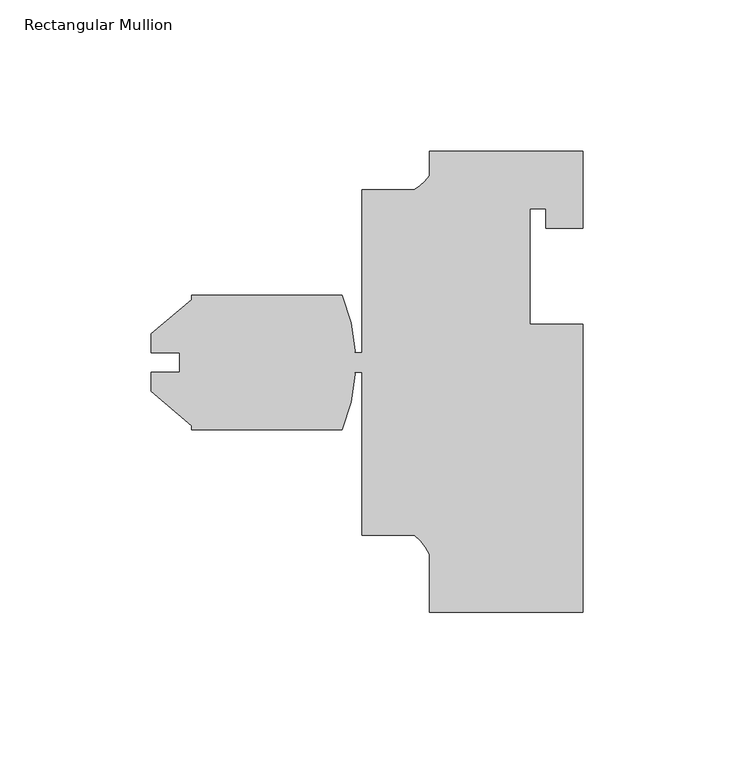
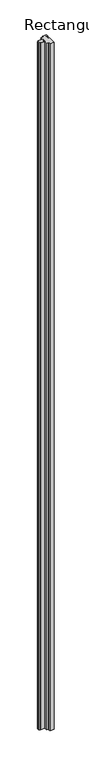
"""IFC4 building model written with IfcOpenShell, lengths in millimetres: member geometry, Rectangular Mullion."""

from ifc_helpers import new_model, si_unit, point, frame, frame_2d, origin, place, context, project, spatial, polyline, circle_curve, trimmed, segment, composite_curve, outline, extrude, source, transform, mapped, element, save


def rectangular_mullion_10036c5e(model_context):
    return source(origin(), model_context, "Body", "SweptSolid", [
        extrude(outline(composite_curve([segment(polyline([(25.4000102, -98.425), (-25.4, -98.425), (-25.4, -79.2532223)]), True, "CONTINUOUS"), segment(trimmed(circle_curve(frame_2d((-39.5144522, -85.306361)), 15.3576772), [point((-25.4, -79.2532223))], [point((-30.2934749, -73.025))], True, "CARTESIAN"), True, "CONTINUOUS"), segment(polyline([(-30.2934749, -73.025), (-47.6249898, -73.025), (-47.6249898, -19.0499987), (-50.476034, -19.0499987)]), True, "CONTINUOUS"), segment(trimmed(circle_curve(frame_2d((-50.5757694, -19.6396145)), 0.5979916), [point((-50.476034, -19.0499987))], [point((-49.9829453, -19.7180592))], False, "CARTESIAN"), True, "CONTINUOUS"), segment(trimmed(circle_curve(frame_2d((-108.5818619, -15.875)), 58.7248), [point((-49.9829453, -19.7180592))], [point((-54.2251557, -38.1))], False, "CARTESIAN"), True, "CONTINUOUS"), segment(polyline([(-54.2251557, -38.1), (-103.9471598, -38.1), (-103.9471598, -36.7032933), (-117.4091598, -25.407334), (-117.4091598, -19.0370621), (-107.9857598, -19.0370621), (-107.9857598, -12.7129379), (-117.4091598, -12.7129379), (-117.4091598, -6.342666), (-103.9471598, 4.9532933), (-103.9471598, 6.35), (-54.2251557, 6.35)]), True, "CONTINUOUS"), segment(trimmed(circle_curve(frame_2d((-108.5818619, -15.875)), 58.7248), [point((-54.2251557, 6.35))], [point((-49.9829453, -12.0319408))], False, "CARTESIAN"), True, "CONTINUOUS"), segment(trimmed(circle_curve(frame_2d((-50.5757694, -12.1103855)), 0.5979916), [point((-49.9829453, -12.0319408))], [point((-50.476034, -12.7000013))], False, "CARTESIAN"), True, "CONTINUOUS"), segment(polyline([(-50.476034, -12.7000013), (-47.6249898, -12.7000013), (-47.6249898, 41.275), (-30.3723352, 41.275)]), True, "CONTINUOUS"), segment(trimmed(circle_curve(frame_2d((-37.3094364, 53.8506632)), 14.3621265), [point((-30.3723352, 41.275))], [point((-25.4, 45.8234593))], True, "CARTESIAN"), True, "CONTINUOUS"), segment(polyline([(-25.4, 45.8234593), (-25.4, 53.975), (25.4, 53.975), (25.4, 28.575), (13.208, 28.575), (13.208, 34.925), (7.9502102, 34.925), (7.9502102, -3.175), (25.4000102, -3.175), (25.4000102, -98.425)]), True, "CONTINUOUS")], self_intersect=False)), frame((0.0, 0.0, -8635.0685723), z_axis=(0.0, 0.0, 1.0), x_axis=(1.0, 0.0, 0.0)), (0.0, 0.0, 1.0), 8635.0685723),
    ])


if __name__ == "__main__":
    model = new_model("IFC4")
    model_context = context("Model", 3, world=origin())
    ifc_project = project(units=[si_unit("LENGTHUNIT", "METRE", prefix="MILLI")], contexts=[model_context])
    site = spatial("IfcSite", under=ifc_project)
    building = spatial("IfcBuilding", under=site)
    placement = place(None, origin())
    rectangular_mullion_shape = rectangular_mullion_10036c5e(model_context)
    element("IfcMember", 1, ObjectType="Rectangular Mullion", at=placement, inside=building, context=model_context, shape_type="MappedRepresentation", body=[
        mapped(rectangular_mullion_shape, transform((0.0, 0.0, 0.0), x_axis=(1.0, 0.0, 0.0), y_axis=(0.0, 1.0, 0.0), z_axis=(0.0, 0.0, 1.0))),
    ])
    save(model, "model.ifc")
